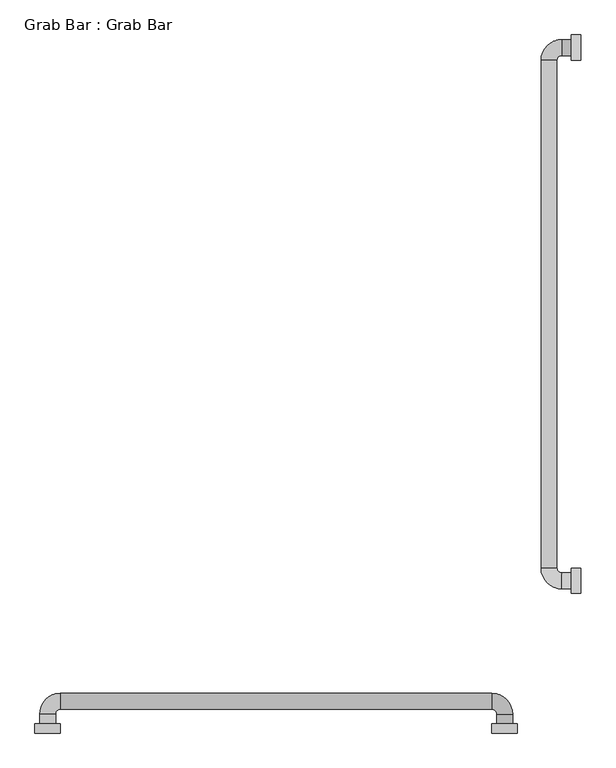
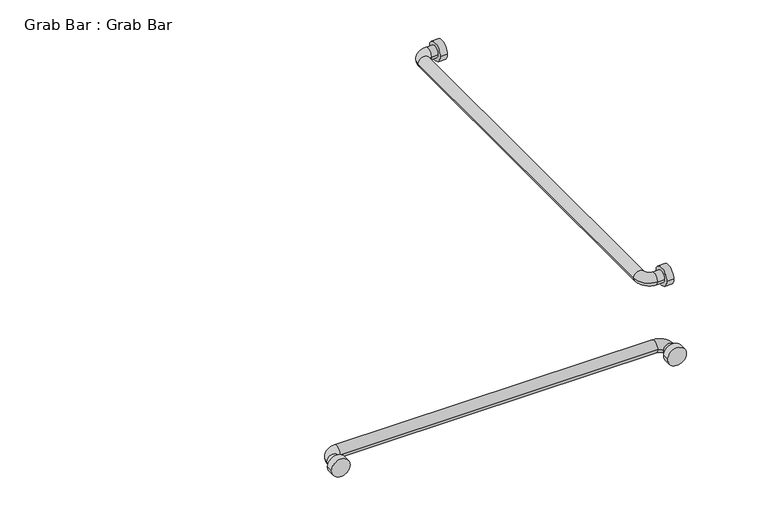
"""IFC4 building model written with IfcOpenShell, lengths in millimetres: proxy geometry, Grab Bar : Grab Bar."""

from ifc_helpers import new_model, si_unit, point, frame, frame_2d, origin, place, context, project, spatial, circle_curve, ellipse_curve, trimmed, segment, composite_curve, outline, extrude, source, transform, mapped, element, save
from ifc_brep_helpers import plane_surface, cylinder_surface, revolved_surface, advanced_brep


def grab_bar_grab_bar_00f4341b(model_context):
    return source(origin(), model_context, "Body", "SolidModel", [
        extrude(outline(composite_curve([segment(trimmed(circle_curve(frame_2d((304.8, 914.4)), 25.4), [point((279.4, 914.4))], [point((330.2, 914.4))], False, "CARTESIAN"), True, "CONTINUOUS"), segment(trimmed(circle_curve(frame_2d((304.8, 914.4)), 25.4), [point((330.2, 914.4))], [point((279.4, 914.4))], False, "CARTESIAN"), True, "CONTINUOUS")], self_intersect=False)), frame((-19.05, 0.0, 0.0), z_axis=(1.0, 0.0, 0.0), x_axis=(0.0, 1.0, 0.0)), (0.0, 0.0, 1.0), 19.05),
        extrude(outline(composite_curve([segment(trimmed(circle_curve(frame_2d((1371.6, 914.4)), 25.4), [point((1346.2, 914.4))], [point((1397.0, 914.4))], False, "CARTESIAN"), True, "CONTINUOUS"), segment(trimmed(circle_curve(frame_2d((1371.6, 914.4)), 25.4), [point((1397.0, 914.4))], [point((1346.2, 914.4))], False, "CARTESIAN"), True, "CONTINUOUS")], self_intersect=False)), frame((-19.05, 0.0, 0.0), z_axis=(1.0, 0.0, 0.0), x_axis=(0.0, 1.0, 0.0)), (0.0, 0.0, 1.0), 19.05),
        extrude(outline(composite_curve([segment(trimmed(circle_curve(frame_2d((914.4, -152.4)), 25.4), [point((914.4, -177.8))], [point((914.4, -127.0))], False, "CARTESIAN"), True, "CONTINUOUS"), segment(trimmed(circle_curve(frame_2d((914.4, -152.4)), 25.4), [point((914.4, -127.0))], [point((914.4, -177.8))], False, "CARTESIAN"), True, "CONTINUOUS")], self_intersect=False)), frame((0.0, 0.0, 0.0), z_axis=(0.0, 1.0, 0.0), x_axis=(0.0, 0.0, 1.0)), (0.0, 0.0, 1.0), 19.05),
        extrude(outline(composite_curve([segment(trimmed(circle_curve(frame_2d((914.4, -1066.8)), 25.4), [point((914.4, -1092.2))], [point((914.4, -1041.4))], False, "CARTESIAN"), True, "CONTINUOUS"), segment(trimmed(circle_curve(frame_2d((914.4, -1066.8)), 25.4), [point((914.4, -1041.4))], [point((914.4, -1092.2))], False, "CARTESIAN"), True, "CONTINUOUS")], self_intersect=False)), frame((0.0, 0.0, 0.0), z_axis=(0.0, 1.0, 0.0), x_axis=(0.0, 0.0, 1.0)), (0.0, 0.0, 1.0), 19.05),
        advanced_brep(
        [(-19.05, 320.675, 914.4), (-19.05, 288.925, 914.4), (-38.1, 320.675, 914.4), (-38.1, 288.925, 914.4), (-79.375, 330.2, 914.4), (-47.625, 330.2, 914.4), (-47.625, 1346.2, 914.4), (-79.375, 1346.2, 914.4), (-38.1, 1387.475, 914.4), (-38.1, 1355.725, 914.4), (-19.05, 1355.725, 914.4), (-19.05, 1387.475, 914.4)],
        [
            (0, 1, circle_curve(frame((-19.05, 304.8, 914.4), z_axis=(1.0, 0.0, 0.0), x_axis=(0.0, -1.0, 0.0)), 15.875)),
            (1, 0, circle_curve(frame((-19.05, 304.8, 914.4), z_axis=(1.0, 0.0, 0.0), x_axis=(0.0, -1.0, 0.0)), 15.875)),
            (0, 2),
            (2, 3, circle_curve(frame((-38.1, 304.8, 914.4), z_axis=(1.0, 0.0, 0.0), x_axis=(0.0, -1.0, 0.0)), 15.875)),
            (3, 1),
            (3, 2, circle_curve(frame((-38.1, 304.8, 914.4), z_axis=(1.0, 0.0, 0.0), x_axis=(0.0, -1.0, 0.0)), 15.875)),
            (4, 3, circle_curve(frame((-38.1, 330.2, 914.4), z_axis=(0.0, 0.0, 1.0), x_axis=(0.0, -1.0, 0.0)), 41.275)),
            (2, 5, circle_curve(frame((-38.1, 330.2, 914.4), z_axis=(0.0, 0.0, -1.0), x_axis=(0.0, -1.0, 0.0)), 9.525)),
            (5, 4, circle_curve(frame((-63.5, 330.2, 914.4), z_axis=(0.0, -1.0, 0.0), x_axis=(-1.0, 0.0, 0.0)), 15.875)),
            (4, 5, circle_curve(frame((-63.5, 330.2, 914.4), z_axis=(0.0, -1.0, 0.0), x_axis=(-1.0, 0.0, 0.0)), 15.875)),
            (5, 6),
            (6, 7, circle_curve(frame((-63.5, 1346.2, 914.4), z_axis=(0.0, -1.0, 0.0), x_axis=(-1.0, 0.0, 0.0)), 15.875)),
            (7, 4),
            (7, 6, circle_curve(frame((-63.5, 1346.2, 914.4), z_axis=(0.0, -1.0, 0.0), x_axis=(-1.0, 0.0, 0.0)), 15.875)),
            (8, 7, circle_curve(frame((-38.1, 1346.2, 914.4), z_axis=(0.0, 0.0, 1.0), x_axis=(-1.0, 0.0, 0.0)), 41.275)),
            (6, 9, circle_curve(frame((-38.1, 1346.2, 914.4), z_axis=(0.0, 0.0, -1.0), x_axis=(-1.0, 0.0, 0.0)), 9.525)),
            (9, 8, circle_curve(frame((-38.1, 1371.6, 914.4), z_axis=(-1.0, 0.0, 0.0), x_axis=(0.0, 1.0, 0.0)), 15.875)),
            (8, 9, circle_curve(frame((-38.1, 1371.6, 914.4), z_axis=(-1.0, 0.0, 0.0), x_axis=(0.0, 1.0, 0.0)), 15.875)),
            (10, 11, circle_curve(frame((-19.05, 1371.6, 914.4), z_axis=(1.0, 0.0, 0.0), x_axis=(0.0, 1.0, 0.0)), 15.875)),
            (11, 10, circle_curve(frame((-19.05, 1371.6, 914.4), z_axis=(1.0, 0.0, 0.0), x_axis=(0.0, 1.0, 0.0)), 15.875)),
            (9, 10),
            (11, 8),
        ],
        [
            plane_surface(frame((-19.05, 304.8, -930.275), z_axis=(1.0, 0.0, 0.0), x_axis=(0.0, -1.0, 0.0))),
            cylinder_surface(frame((-19.05, 304.8, 914.4), z_axis=(1.0, 0.0, 0.0), x_axis=(0.0, -1.0, 0.0)), 15.875),
            revolved_surface(trimmed(ellipse_curve(frame((-38.1, 304.8, 914.4), z_axis=(1.0, 0.0, 0.0), x_axis=(0.0, -1.0, 0.0)), 15.875, 15.875), [point((-38.1, 320.675, 914.4))], [point((-38.1, 288.925, 914.4))], True, "CARTESIAN"), (-38.1, 330.2, 0.0), (0.0, 0.0, -1.0)),
            revolved_surface(trimmed(ellipse_curve(frame((-38.1, 304.8, 914.4), z_axis=(1.0, 0.0, 0.0), x_axis=(0.0, -1.0, 0.0)), 15.875, 15.875), [point((-38.1, 288.925, 914.4))], [point((-38.1, 320.675, 914.4))], True, "CARTESIAN"), (-38.1, 330.2, 0.0), (0.0, 0.0, -1.0)),
            cylinder_surface(frame((-63.5, 330.2, 914.4), z_axis=(0.0, -1.0, 0.0), x_axis=(-1.0, 0.0, 0.0)), 15.875),
            revolved_surface(trimmed(ellipse_curve(frame((-63.5, 1346.2, 914.4), z_axis=(0.0, -1.0, 0.0), x_axis=(-1.0, 0.0, 0.0)), 15.875, 15.875), [point((-47.625, 1346.2, 914.4))], [point((-79.375, 1346.2, 914.4))], True, "CARTESIAN"), (-38.1, 1346.2, 0.0), (0.0, 0.0, -1.0)),
            revolved_surface(trimmed(ellipse_curve(frame((-63.5, 1346.2, 914.4), z_axis=(0.0, -1.0, 0.0), x_axis=(-1.0, 0.0, 0.0)), 15.875, 15.875), [point((-79.375, 1346.2, 914.4))], [point((-47.625, 1346.2, 914.4))], True, "CARTESIAN"), (-38.1, 1346.2, 0.0), (0.0, 0.0, -1.0)),
            plane_surface(frame((-19.05, 1371.6, -930.275), z_axis=(1.0, 0.0, 0.0), x_axis=(0.0, 1.0, 0.0))),
            cylinder_surface(frame((-38.1, 1371.6, 914.4), z_axis=(-1.0, 0.0, 0.0), x_axis=(0.0, 1.0, 0.0)), 15.875),
        ],
        [
            (0, [[1, 2]]),
            (1, [[-1, 3, 4, 5]]),
            (1, [[-2, -5, 6, -3]]),
            (2, [[7, -4, 8, 9]]),
            (3, [[-8, -6, -7, 10]]),
            (4, [[-9, 11, 12, 13]]),
            (4, [[-10, -13, 14, -11]]),
            (5, [[15, -12, 16, 17]]),
            (6, [[-16, -14, -15, 18]]),
            (7, [[19, 20]]),
            (8, [[-17, 21, -20, 22]]),
            (8, [[-18, -22, -19, -21]]),
        ],
    ),
        advanced_brep(
        [(-1050.925, 19.05, 914.4), (-1082.675, 19.05, 914.4), (-1050.925, 38.1, 914.4), (-1082.675, 38.1, 914.4), (-1041.4, 79.375, 914.4), (-1041.4, 47.625, 914.4), (-177.8, 47.625, 914.4), (-177.8, 79.375, 914.4), (-136.525, 38.1, 914.4), (-168.275, 38.1, 914.4), (-168.275, 19.05, 914.4), (-136.525, 19.05, 914.4)],
        [
            (0, 1, circle_curve(frame((-1066.8, 19.05, 914.4), z_axis=(0.0, -1.0, 0.0), x_axis=(-1.0, 0.0, 0.0)), 15.875)),
            (1, 0, circle_curve(frame((-1066.8, 19.05, 914.4), z_axis=(0.0, -1.0, 0.0), x_axis=(-1.0, 0.0, 0.0)), 15.875)),
            (0, 2),
            (2, 3, circle_curve(frame((-1066.8, 38.1, 914.4), z_axis=(0.0, -1.0, 0.0), x_axis=(-1.0, 0.0, 0.0)), 15.875)),
            (3, 1),
            (3, 2, circle_curve(frame((-1066.8, 38.1, 914.4), z_axis=(0.0, -1.0, 0.0), x_axis=(-1.0, 0.0, 0.0)), 15.875)),
            (4, 3, circle_curve(frame((-1041.4, 38.1, 914.4), z_axis=(0.0, 0.0, 1.0), x_axis=(-1.0, 0.0, 0.0)), 41.275)),
            (2, 5, circle_curve(frame((-1041.4, 38.1, 914.4), z_axis=(0.0, 0.0, -1.0), x_axis=(-1.0, 0.0, 0.0)), 9.525)),
            (5, 4, circle_curve(frame((-1041.4, 63.5, 914.4), z_axis=(-1.0, 0.0, 0.0), x_axis=(0.0, 1.0, 0.0)), 15.875)),
            (4, 5, circle_curve(frame((-1041.4, 63.5, 914.4), z_axis=(-1.0, 0.0, 0.0), x_axis=(0.0, 1.0, 0.0)), 15.875)),
            (5, 6),
            (6, 7, circle_curve(frame((-177.8, 63.5, 914.4), z_axis=(-1.0, 0.0, 0.0), x_axis=(0.0, 1.0, 0.0)), 15.875)),
            (7, 4),
            (7, 6, circle_curve(frame((-177.8, 63.5, 914.4), z_axis=(-1.0, 0.0, 0.0), x_axis=(0.0, 1.0, 0.0)), 15.875)),
            (8, 7, circle_curve(frame((-177.8, 38.1, 914.4), z_axis=(0.0, 0.0, 1.0), x_axis=(0.0, 1.0, 0.0)), 41.275)),
            (6, 9, circle_curve(frame((-177.8, 38.1, 914.4), z_axis=(0.0, 0.0, -1.0), x_axis=(0.0, 1.0, 0.0)), 9.525)),
            (9, 8, circle_curve(frame((-152.4, 38.1, 914.4), z_axis=(0.0, 1.0, 0.0), x_axis=(1.0, 0.0, 0.0)), 15.875)),
            (8, 9, circle_curve(frame((-152.4, 38.1, 914.4), z_axis=(0.0, 1.0, 0.0), x_axis=(1.0, 0.0, 0.0)), 15.875)),
            (10, 11, circle_curve(frame((-152.4, 19.05, 914.4), z_axis=(0.0, -1.0, 0.0), x_axis=(1.0, 0.0, 0.0)), 15.875)),
            (11, 10, circle_curve(frame((-152.4, 19.05, 914.4), z_axis=(0.0, -1.0, 0.0), x_axis=(1.0, 0.0, 0.0)), 15.875)),
            (9, 10),
            (11, 8),
        ],
        [
            plane_surface(frame((-1997.075, 19.05, 0.0), z_axis=(0.0, -1.0, 0.0), x_axis=(0.0, 0.0, 1.0))),
            cylinder_surface(frame((-1066.8, 19.05, 914.4), z_axis=(0.0, -1.0, 0.0), x_axis=(-1.0, 0.0, 0.0)), 15.875),
            revolved_surface(trimmed(ellipse_curve(frame((-1066.8, 38.1, 914.4), z_axis=(0.0, -1.0, 0.0), x_axis=(-1.0, 0.0, 0.0)), 15.875, 15.875), [point((-1050.925, 38.1, 914.4))], [point((-1082.675, 38.1, 914.4))], True, "CARTESIAN"), (-1041.4, 38.1, 0.0), (0.0, 0.0, -1.0)),
            revolved_surface(trimmed(ellipse_curve(frame((-1066.8, 38.1, 914.4), z_axis=(0.0, -1.0, 0.0), x_axis=(-1.0, 0.0, 0.0)), 15.875, 15.875), [point((-1082.675, 38.1, 914.4))], [point((-1050.925, 38.1, 914.4))], True, "CARTESIAN"), (-1041.4, 38.1, 0.0), (0.0, 0.0, -1.0)),
            cylinder_surface(frame((-1041.4, 63.5, 914.4), z_axis=(-1.0, 0.0, 0.0), x_axis=(0.0, 1.0, 0.0)), 15.875),
            revolved_surface(trimmed(ellipse_curve(frame((-177.8, 63.5, 914.4), z_axis=(-1.0, 0.0, 0.0), x_axis=(0.0, 1.0, 0.0)), 15.875, 15.875), [point((-177.8, 47.625, 914.4))], [point((-177.8, 79.375, 914.4))], True, "CARTESIAN"), (-177.8, 38.1, 0.0), (0.0, 0.0, -1.0)),
            revolved_surface(trimmed(ellipse_curve(frame((-177.8, 63.5, 914.4), z_axis=(-1.0, 0.0, 0.0), x_axis=(0.0, 1.0, 0.0)), 15.875, 15.875), [point((-177.8, 79.375, 914.4))], [point((-177.8, 47.625, 914.4))], True, "CARTESIAN"), (-177.8, 38.1, 0.0), (0.0, 0.0, -1.0)),
            plane_surface(frame((-1082.675, 19.05, 0.0), z_axis=(0.0, -1.0, 0.0), x_axis=(0.0, 0.0, -1.0))),
            cylinder_surface(frame((-152.4, 38.1, 914.4), z_axis=(0.0, 1.0, 0.0), x_axis=(1.0, 0.0, 0.0)), 15.875),
        ],
        [
            (0, [[1, 2]]),
            (1, [[-1, 3, 4, 5]]),
            (1, [[-2, -5, 6, -3]]),
            (2, [[7, -4, 8, 9]]),
            (3, [[-8, -6, -7, 10]]),
            (4, [[-9, 11, 12, 13]]),
            (4, [[-10, -13, 14, -11]]),
            (5, [[15, -12, 16, 17]]),
            (6, [[-16, -14, -15, 18]]),
            (7, [[19, 20]]),
            (8, [[-17, 21, -20, 22]]),
            (8, [[-18, -22, -19, -21]]),
        ],
    ),
    ])


if __name__ == "__main__":
    model = new_model("IFC4")
    model_context = context("Model", 3, world=origin())
    ifc_project = project(units=[si_unit("LENGTHUNIT", "METRE", prefix="MILLI")], contexts=[model_context])
    site = spatial("IfcSite", under=ifc_project)
    building = spatial("IfcBuilding", under=site)
    placement = place(None, origin())
    grab_bar_grab_bar_shape = grab_bar_grab_bar_00f4341b(model_context)
    element("IfcBuildingElementProxy", 1, Name="Grab Bar : Grab Bar", ObjectType="Grab Bar : Grab Bar", at=placement, inside=building, context=model_context, shape_type="MappedRepresentation", body=[
        mapped(grab_bar_grab_bar_shape, transform((0.0, 0.0, 0.0), x_axis=(1.0, 0.0, 0.0), y_axis=(0.0, 1.0, 0.0), z_axis=(0.0, 0.0, 1.0))),
    ])
    save(model, "model.ifc")
